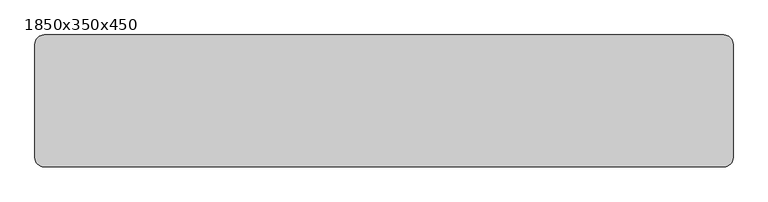
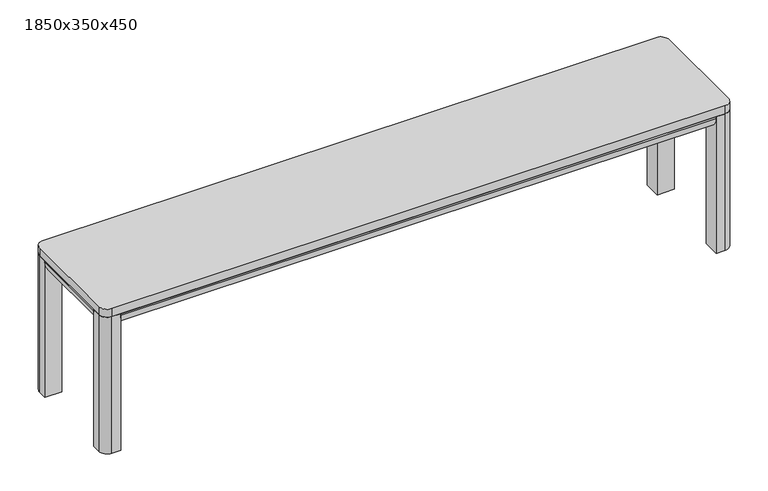
"""IFC4 building model written with IfcOpenShell, lengths in millimetres: furniture geometry, 1850x350x450."""

from ifc_helpers import new_model, si_unit, point, frame, frame_2d, origin, origin_with_axes, place, context, project, spatial, polyline, circle_curve, trimmed, segment, composite_curve, outline, extrude, source, transform, mapped, element, save


def furniture_1850x350x450_1b2fc746(model_context):
    return source(origin(), model_context, "Body", "SweptSolid", [
        extrude(outline(composite_curve([segment(polyline([(425.0, 50.0), (425.0, 0.0), (419.5872996, 0.0)]), True, "CONTINUOUS"), segment(trimmed(circle_curve(frame_2d((419.5872996, 35.0)), 35.0), [point((419.5872996, 0.0))], [point((385.0, 29.6410162))], False, "CARTESIAN"), True, "CONTINUOUS"), segment(polyline([(385.0, 29.6410162), (385.0, 50.0), (425.0, 50.0)]), True, "CONTINUOUS")], self_intersect=False)), frame((0.0, -300.0, 0.0), z_axis=(0.0, 1.0, 0.0), x_axis=(0.0, 0.0, 1.0)), (0.0, 0.0, 1.0), 250.0),
        extrude(outline(composite_curve([segment(polyline([(425.0, 1800.0), (385.0, 1800.0), (385.0, 1820.3589838)]), True, "CONTINUOUS"), segment(trimmed(circle_curve(frame_2d((419.5872996, 1815.0)), 35.0), [point((385.0, 1820.3589838))], [point((419.5872996, 1850.0))], False, "CARTESIAN"), True, "CONTINUOUS"), segment(polyline([(419.5872996, 1850.0), (425.0, 1850.0), (425.0, 1800.0)]), True, "CONTINUOUS")], self_intersect=False)), frame((0.0, -300.0, 0.0), z_axis=(0.0, 1.0, 0.0), x_axis=(0.0, 0.0, 1.0)), (0.0, 0.0, 1.0), 250.0),
        extrude(outline(composite_curve([segment(polyline([(-300.0, 425.0), (-300.0, 385.0), (-320.3589838, 385.0)]), True, "CONTINUOUS"), segment(trimmed(circle_curve(frame_2d((-315.0, 419.5872996)), 35.0), [point((-320.3589838, 385.0))], [point((-350.0, 419.5872996))], False, "CARTESIAN"), True, "CONTINUOUS"), segment(polyline([(-350.0, 419.5872996), (-350.0, 425.0), (-300.0, 425.0)]), True, "CONTINUOUS")], self_intersect=False)), frame((50.0, 0.0, 0.0), z_axis=(1.0, 0.0, 0.0), x_axis=(0.0, 1.0, 0.0)), (0.0, 0.0, 1.0), 1750.0),
        extrude(outline(composite_curve([segment(trimmed(circle_curve(frame_2d((24.5098039, -325.4901961)), 24.5098039), [point((24.5098039, -350.0))], [point((0.0, -325.4901961))], False, "CARTESIAN"), True, "CONTINUOUS"), segment(polyline([(0.0, -325.4901961), (0.0, -300.0), (50.0, -300.0), (50.0, -350.0), (24.5098039, -350.0)]), True, "CONTINUOUS")], self_intersect=False)), origin_with_axes(), (0.0, 0.0, 1.0), 425.0),
        extrude(outline(composite_curve([segment(trimmed(circle_curve(frame_2d((24.5098039, -24.5098039)), 24.5098039), [point((0.0, -24.5098039))], [point((24.5098039, 0.0))], False, "CARTESIAN"), True, "CONTINUOUS"), segment(polyline([(24.5098039, 0.0), (50.0, 0.0), (50.0, -50.0), (0.0, -50.0), (0.0, -24.5098039)]), True, "CONTINUOUS")], self_intersect=False)), origin_with_axes(), (0.0, 0.0, 1.0), 425.0),
        extrude(outline(composite_curve([segment(trimmed(circle_curve(frame_2d((1825.4901961, -24.5098039)), 24.5098039), [point((1825.4901961, 0.0))], [point((1850.0, -24.5098039))], False, "CARTESIAN"), True, "CONTINUOUS"), segment(polyline([(1850.0, -24.5098039), (1850.0, -50.0), (1800.0, -50.0), (1800.0, 0.0), (1825.4901961, 0.0)]), True, "CONTINUOUS")], self_intersect=False)), origin_with_axes(), (0.0, 0.0, 1.0), 425.0),
        extrude(outline(composite_curve([segment(trimmed(circle_curve(frame_2d((1825.4901961, -325.4901961)), 24.5098039), [point((1850.0, -325.4901961))], [point((1825.4901961, -350.0))], False, "CARTESIAN"), True, "CONTINUOUS"), segment(polyline([(1825.4901961, -350.0), (1800.0, -350.0), (1800.0, -300.0), (1850.0, -300.0), (1850.0, -325.4901961)]), True, "CONTINUOUS")], self_intersect=False)), origin_with_axes(), (0.0, 0.0, 1.0), 425.0),
        extrude(outline(composite_curve([segment(polyline([(-50.0, 425.0), (0.0, 425.0), (0.0, 419.5872996)]), True, "CONTINUOUS"), segment(trimmed(circle_curve(frame_2d((-35.0, 419.5872996)), 35.0), [point((0.0, 419.5872996))], [point((-29.6410162, 385.0))], False, "CARTESIAN"), True, "CONTINUOUS"), segment(polyline([(-29.6410162, 385.0), (-50.0, 385.0), (-50.0, 425.0)]), True, "CONTINUOUS")], self_intersect=False)), frame((50.0, 0.0, 0.0), z_axis=(1.0, 0.0, 0.0), x_axis=(0.0, 1.0, 0.0)), (0.0, 0.0, 1.0), 1750.0),
        extrude(outline(composite_curve([segment(trimmed(circle_curve(frame_2d((1825.4901961, -24.5098039)), 24.5098039), [point((1825.4901961, 0.0))], [point((1850.0, -24.5098039))], False, "CARTESIAN"), True, "CONTINUOUS"), segment(polyline([(1850.0, -24.5098039), (1850.0, -325.4901961)]), True, "CONTINUOUS"), segment(trimmed(circle_curve(frame_2d((1825.4901961, -325.4901961)), 24.5098039), [point((1850.0, -325.4901961))], [point((1825.4901961, -350.0))], False, "CARTESIAN"), True, "CONTINUOUS"), segment(polyline([(1825.4901961, -350.0), (24.5098039, -350.0)]), True, "CONTINUOUS"), segment(trimmed(circle_curve(frame_2d((24.5098039, -325.4901961)), 24.5098039), [point((24.5098039, -350.0))], [point((0.0, -325.4901961))], False, "CARTESIAN"), True, "CONTINUOUS"), segment(polyline([(0.0, -325.4901961), (0.0, -24.5098039)]), True, "CONTINUOUS"), segment(trimmed(circle_curve(frame_2d((24.5098039, -24.5098039)), 24.5098039), [point((0.0, -24.5098039))], [point((24.5098039, 0.0))], False, "CARTESIAN"), True, "CONTINUOUS"), segment(polyline([(24.5098039, 0.0), (1825.4901961, 0.0)]), True, "CONTINUOUS")], self_intersect=False)), frame((0.0, 0.0, 425.0), z_axis=(0.0, 0.0, 1.0), x_axis=(1.0, 0.0, 0.0)), (0.0, 0.0, 1.0), 25.0),
    ])


if __name__ == "__main__":
    model = new_model("IFC4")
    model_context = context("Model", 3, world=origin())
    ifc_project = project(units=[si_unit("LENGTHUNIT", "METRE", prefix="MILLI")], contexts=[model_context])
    site = spatial("IfcSite", under=ifc_project)
    building = spatial("IfcBuilding", under=site)
    placement = place(None, origin())
    furniture_1850x350x450_shape = furniture_1850x350x450_1b2fc746(model_context)
    element("IfcFurniture", 1, ObjectType="1850x350x450", at=placement, inside=building, context=model_context, shape_type="MappedRepresentation", body=[
        mapped(furniture_1850x350x450_shape, transform((0.0, 0.0, 0.0), x_axis=(1.0, 0.0, 0.0), y_axis=(0.0, 1.0, 0.0), z_axis=(0.0, 0.0, 1.0))),
    ])
    save(model, "model.ifc")
